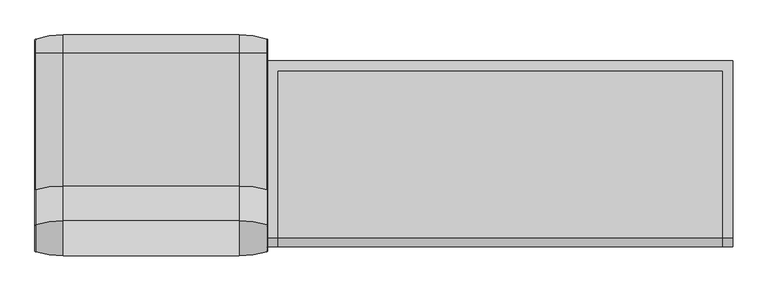
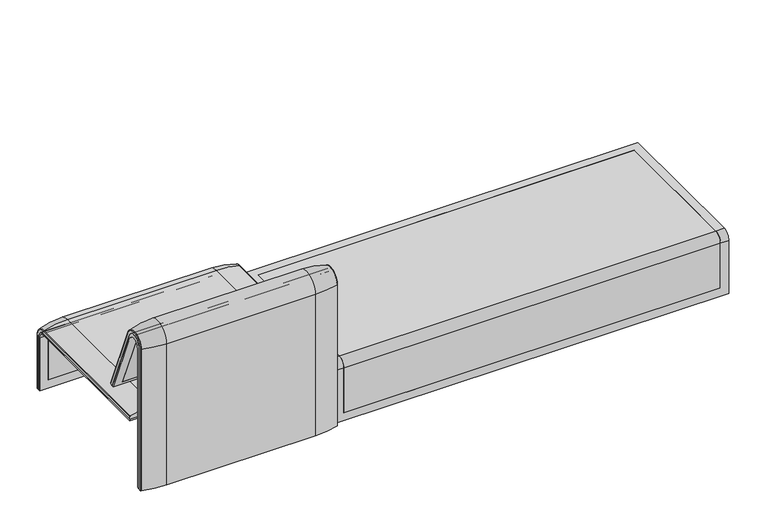
"""IFC4 building model written with IfcOpenShell, lengths in millimetres: furniture geometry."""

from ifc_helpers import new_model, si_unit, point, frame, frame_2d, origin, place, context, project, spatial, polyline, circle_curve, ellipse_curve, trimmed, segment, composite_curve, outline, extrude, source, transform, mapped, element, save
from ifc_brep_helpers import plane_surface, cylinder_surface, revolved_surface, advanced_brep


def furniture_6a8bea69(model_context):
    return source(origin(), model_context, "Body", "SolidModel", [
        advanced_brep(
        [(-1223.9718733, -295.0, 359.922434), (-1223.9718733, -295.0, 366.172434), (-1223.9718733, 324.3858663, 366.172434), (-1223.9718733, 357.5, 333.0583003), (-1223.9718733, 357.5, 100.5089435), (-1223.9718733, 351.0, 100.5089435), (-1223.9718733, 351.0, 332.6742277), (-1223.9718733, 323.7517936, 359.922434), (-407.9906244, -295.0, 359.922434), (-407.9906244, 323.7517936, 359.922434), (-407.9906244, 351.0, 332.6742277), (-407.9906244, 351.0, 100.5089435), (-407.9906244, 357.5, 100.5089435), (-407.9906244, 357.5, 333.0583003), (-407.9906244, 324.3858663, 366.172434), (-407.9906244, -295.0, 366.172434), (-442.8906244, 324.3858663, 366.172434), (-442.8906244, -260.0, 366.172434), (-1189.0718733, -260.0, 366.172434), (-1189.0718733, 324.3858663, 366.172434), (-1189.0718733, 357.5, 333.0583003), (-442.8906244, 357.5, 333.0583003), (-1189.0718733, 357.5, 135.3766997), (-442.8906244, 357.5, 135.3766997), (-442.8906244, 351.0, 332.6742277), (-442.8906244, 351.0, 135.3766997), (-1189.0718733, 351.0, 135.3766997), (-1189.0718733, 351.0, 332.6742277), (-1189.0718733, 323.7517936, 359.922434), (-442.8906244, 323.7517936, 359.922434), (-1189.0718733, -260.0, 359.922434), (-442.8906244, -260.0, 359.922434)],
        [
            (0, 1),
            (1, 2),
            (2, 3, circle_curve(frame((-1223.9718733, 324.3858663, 333.0583003), z_axis=(-1.0, 0.0, 0.0), x_axis=(0.0, 1.0, 0.0)), 33.1141337)),
            (3, 4),
            (4, 5),
            (5, 6),
            (6, 7, circle_curve(frame((-1223.9718733, 323.7517936, 332.6742277), z_axis=(1.0, 0.0, 0.0), x_axis=(0.0, 1.0, 0.0)), 27.2482064)),
            (7, 0),
            (8, 9),
            (9, 10, circle_curve(frame((-407.9906244, 323.7517936, 332.6742277), z_axis=(-1.0, 0.0, 0.0), x_axis=(0.0, 1.0, 0.0)), 27.2482064)),
            (10, 11),
            (11, 12),
            (12, 13),
            (13, 14, circle_curve(frame((-407.9906244, 324.3858663, 333.0583003), z_axis=(1.0, 0.0, 0.0), x_axis=(0.0, 1.0, 0.0)), 33.1141337)),
            (14, 15),
            (15, 8),
            (0, 8),
            (15, 1),
            (14, 16),
            (16, 17),
            (17, 18),
            (18, 19),
            (19, 2),
            (19, 20, circle_curve(frame((-1189.0718733, 324.3858663, 333.0583003), z_axis=(-1.0, 0.0, 0.0), x_axis=(0.0, 1.0, 0.0)), 33.1141337)),
            (20, 3),
            (13, 21),
            (21, 16, circle_curve(frame((-442.8906244, 324.3858663, 333.0583003), z_axis=(1.0, 0.0, 0.0), x_axis=(0.0, 1.0, 0.0)), 33.1141337)),
            (20, 22),
            (22, 23),
            (23, 21),
            (12, 4),
            (11, 5),
            (10, 24),
            (24, 25),
            (25, 26),
            (26, 27),
            (27, 6),
            (27, 28, circle_curve(frame((-1189.0718733, 323.7517936, 332.6742277), z_axis=(1.0, 0.0, 0.0), x_axis=(0.0, 1.0, 0.0)), 27.2482064)),
            (28, 7),
            (9, 29),
            (29, 24, circle_curve(frame((-442.8906244, 323.7517936, 332.6742277), z_axis=(-1.0, 0.0, 0.0), x_axis=(0.0, 1.0, 0.0)), 27.2482064)),
            (28, 30),
            (30, 31),
            (31, 29),
            (26, 22),
            (18, 30),
            (31, 17),
            (23, 25),
        ],
        [
            plane_surface(frame((-1223.9718733, 296.9265415, 359.922434), z_axis=(-1.0, 0.0, 0.0), x_axis=(0.0, 1.0, 0.0))),
            plane_surface(frame((-407.9906244, 296.9265415, 359.922434), z_axis=(1.0, 0.0, 0.0), x_axis=(0.0, -1.0, 0.0))),
            plane_surface(frame((-1223.9718733, -295.0, 366.172434), z_axis=(0.0, -1.0, 0.0), x_axis=(1.0, 0.0, 0.0))),
            plane_surface(frame((-1223.9718733, 324.3858663, 366.172434), z_axis=(0.0, 0.0, 1.0), x_axis=(1.0, 0.0, 0.0))),
            cylinder_surface(frame((-407.9906244, 324.3858663, 333.0583003), z_axis=(-1.0, 0.0, 0.0), x_axis=(0.0, 1.0, 0.0)), 33.1141337),
            plane_surface(frame((-1223.9718733, 357.5, 100.5089435), z_axis=(0.0, 1.0, 0.0), x_axis=(1.0, 0.0, 0.0))),
            plane_surface(frame((-1223.9718733, 351.0, 100.5089435), z_axis=(0.0, 0.0, -1.0), x_axis=(1.0, 0.0, 0.0))),
            plane_surface(frame((-1223.9718733, 351.0, 332.6742277), z_axis=(0.0, -1.0, 0.0), x_axis=(1.0, 0.0, 0.0))),
            revolved_surface(polyline([(-1189.0718733, 351.0, 332.6742277), (-1223.9718733, 351.0, 332.6742277)]), (-407.9906244, 323.7517936, 332.6742277), (1.0, 0.0, 0.0)),
            revolved_surface(polyline([(-407.9906244, 351.0, 332.6742277), (-442.8906244, 351.0, 332.6742277)]), (-407.9906244, 323.7517936, 332.6742277), (1.0, 0.0, 0.0)),
            plane_surface(frame((-1223.9718733, -295.0, 359.922434), z_axis=(0.0, 0.0, -1.0), x_axis=(1.0, 0.0, 0.0))),
            plane_surface(frame((-1189.0718733, 296.9265415, 359.922434), z_axis=(1.0, 0.0, 0.0), x_axis=(0.0, 1.0, 0.0))),
            plane_surface(frame((-442.8906244, 296.9265415, 359.922434), z_axis=(-1.0, 0.0, 0.0), x_axis=(0.0, -1.0, 0.0))),
            plane_surface(frame((-1189.0718733, -260.0, 366.172434), z_axis=(0.0, 1.0, 0.0), x_axis=(1.0, 0.0, 0.0))),
            plane_surface(frame((-1189.0718733, 351.0, 135.3766997), z_axis=(0.0, 0.0, 1.0), x_axis=(1.0, 0.0, 0.0))),
        ],
        [
            (0, [[1, 2, 3, 4, 5, 6, 7, 8]]),
            (1, [[9, 10, 11, 12, 13, 14, 15, 16]]),
            (2, [[17, -16, 18, -1]]),
            (3, [[-18, -15, 19, 20, 21, 22, 23, -2]]),
            (4, [[-23, 24, 25, -3]]),
            (4, [[26, 27, -19, -14]]),
            (5, [[-25, 28, 29, 30, -26, -13, 31, -4]]),
            (6, [[-31, -12, 32, -5]]),
            (7, [[-32, -11, 33, 34, 35, 36, 37, -6]]),
            (8, [[-37, 38, 39, -7]]),
            (9, [[40, 41, -33, -10]]),
            (10, [[-39, 42, 43, 44, -40, -9, -17, -8]]),
            (11, [[-42, -38, -36, 45, -28, -24, -22, 46]]),
            (12, [[-34, -41, -44, 47, -20, -27, -30, 48]]),
            (13, [[-21, -47, -43, -46]]),
            (14, [[-35, -48, -29, -45]]),
        ],
    ),
        extrude(outline(composite_curve([segment(polyline([(-260.0, 359.922434), (-260.0, 366.172434), (324.3858663, 366.172434)]), True, "CONTINUOUS"), segment(trimmed(circle_curve(frame_2d((324.3858663, 333.0583003)), 33.1141337), [point((324.3858663, 366.172434))], [point((357.5, 333.0583003))], False, "CARTESIAN"), True, "CONTINUOUS"), segment(polyline([(357.5, 333.0583003), (357.5, 135.3766997), (351.0, 135.3766997), (351.0, 332.6742277)]), True, "CONTINUOUS"), segment(trimmed(circle_curve(frame_2d((323.7517936, 332.6742277)), 27.2482064), [point((351.0, 332.6742277))], [point((323.7517936, 359.922434))], True, "CARTESIAN"), True, "CONTINUOUS"), segment(polyline([(323.7517936, 359.922434), (-260.0, 359.922434)]), True, "CONTINUOUS")], self_intersect=False)), frame((-1189.0718733, 0.0, 0.0), z_axis=(1.0, 0.0, 0.0), x_axis=(0.0, 1.0, 0.0)), (0.0, 0.0, 1.0), 746.1812488),
        advanced_brep(
        [(-1223.9718733, 368.7793679, 100.5089435), (-1221.8332448, 371.6530483, 100.5089435), (-1123.9718733, 386.0043559, 100.5089435), (-507.9906244, 386.0043559, 100.5089435), (-410.1292529, 371.6530483, 100.5089435), (-407.9906244, 368.7793679, 100.5089435), (-407.9906244, 357.5, 100.5089435), (-1223.9718733, 357.5, 100.5089435), (-1223.9718733, -295.0, 377.4518019), (-1223.9718733, -295.0, 366.172434), (-407.9906244, -295.0, 366.172434), (-407.9906244, -295.0, 377.4518019), (-410.1292529, -295.0, 380.3254823), (-507.9906244, -295.0, 394.67679), (-1123.9718733, -295.0, 394.67679), (-1221.8332448, -295.0, 380.3254823), (-1223.9718733, 357.5, 333.0583003), (-1223.9718733, 324.3858663, 366.172434), (-1223.9718733, 324.3858663, 377.4518019), (-1223.9718733, 368.7793679, 333.0583003), (-407.9906244, 357.5, 333.0583003), (-1123.9718733, 386.0043559, 333.0583003), (-507.9906244, 386.0043559, 333.0583003), (-1221.8332448, 371.6530483, 333.0583003), (-407.9906244, 324.3858663, 366.172434), (-1123.9718733, 324.3858663, 394.67679), (-507.9906244, 324.3858663, 394.67679), (-1221.8332448, 324.3858663, 380.3254823), (-407.9906244, 368.7793679, 333.0583003), (-407.9906244, 324.3858663, 377.4518019), (-410.1292529, 371.6530483, 333.0583003), (-410.1292529, 324.3858663, 380.3254823)],
        [
            (0, 1, circle_curve(frame((-1220.9718733, 368.7793679, 100.5089435), z_axis=(0.0, 0.0, -1.0), x_axis=(1.0, 0.0, 0.0)), 3.0)),
            (1, 2, circle_curve(frame((-1123.9718733, 45.1710226, 100.5089435), z_axis=(0.0, 0.0, -1.0), x_axis=(0.0, -1.0, 0.0)), 340.8333333)),
            (2, 3),
            (3, 4, circle_curve(frame((-507.9906244, 45.1710226, 100.5089435), z_axis=(0.0, 0.0, -1.0), x_axis=(0.0, -1.0, 0.0)), 340.8333333)),
            (4, 5, circle_curve(frame((-410.9906244, 368.7793679, 100.5089435), z_axis=(0.0, 0.0, -1.0), x_axis=(-1.0, 0.0, 0.0)), 3.0)),
            (5, 6),
            (6, 7),
            (7, 0),
            (8, 9),
            (9, 10),
            (10, 11),
            (11, 12, circle_curve(frame((-410.9906244, -295.0, 377.4518019), z_axis=(0.0, -1.0, 0.0), x_axis=(-1.0, 0.0, 0.0)), 3.0)),
            (12, 13, circle_curve(frame((-507.9906244, -295.0, 53.8434566), z_axis=(0.0, -1.0, 0.0), x_axis=(0.0, 0.0, -1.0)), 340.8333333)),
            (13, 14),
            (14, 15, circle_curve(frame((-1123.9718733, -295.0, 53.8434566), z_axis=(0.0, -1.0, 0.0), x_axis=(0.0, 0.0, -1.0)), 340.8333333)),
            (15, 8, circle_curve(frame((-1220.9718733, -295.0, 377.4518019), z_axis=(0.0, -1.0, 0.0), x_axis=(1.0, 0.0, 0.0)), 3.0)),
            (7, 16),
            (16, 17, circle_curve(frame((-1223.9718733, 324.3858663, 333.0583003), z_axis=(1.0, 0.0, 0.0), x_axis=(0.0, 1.0, 0.0)), 33.1141337)),
            (17, 9),
            (8, 18),
            (18, 19, circle_curve(frame((-1223.9718733, 324.3858663, 333.0583003), z_axis=(-1.0, 0.0, 0.0), x_axis=(0.0, 1.0, 0.0)), 44.3935016)),
            (19, 0),
            (6, 20),
            (20, 16),
            (2, 21),
            (21, 22),
            (22, 3),
            (1, 23),
            (23, 21, circle_curve(frame((-1123.9718733, 45.1710226, 333.0583003), z_axis=(0.0, 0.0, -1.0), x_axis=(0.0, -1.0, 0.0)), 340.8333333)),
            (19, 23, circle_curve(frame((-1220.9718733, 368.7793679, 333.0583003), z_axis=(0.0, 0.0, -1.0), x_axis=(1.0, 0.0, 0.0)), 3.0)),
            (24, 17),
            (20, 24, circle_curve(frame((-407.9906244, 324.3858663, 333.0583003), z_axis=(1.0, 0.0, 0.0), x_axis=(0.0, 1.0, 0.0)), 33.1141337)),
            (25, 26),
            (26, 22, circle_curve(frame((-507.9906244, 324.3858663, 333.0583003), z_axis=(-1.0, 0.0, 0.0), x_axis=(0.0, 1.0, 0.0)), 61.6184897)),
            (21, 25, circle_curve(frame((-1123.9718733, 324.3858663, 333.0583003), z_axis=(1.0, 0.0, 0.0), x_axis=(0.0, 1.0, 0.0)), 61.6184897)),
            (27, 25, circle_curve(frame((-1123.9718733, 324.3858663, 53.8434566), z_axis=(0.0, 1.0, 0.0), x_axis=(0.0, 0.0, -1.0)), 340.8333333)),
            (23, 27, circle_curve(frame((-1221.8332448, 324.3858663, 333.0583003), z_axis=(1.0, 0.0, 0.0), x_axis=(0.0, 1.0, 0.0)), 47.267182)),
            (18, 27, circle_curve(frame((-1220.9718733, 324.3858663, 377.4518019), z_axis=(0.0, 1.0, 0.0), x_axis=(1.0, 0.0, 0.0)), 3.0)),
            (24, 10),
            (25, 14),
            (13, 26),
            (27, 15),
            (5, 28),
            (28, 29, circle_curve(frame((-407.9906244, 324.3858663, 333.0583003), z_axis=(1.0, 0.0, 0.0), x_axis=(0.0, 1.0, 0.0)), 44.3935016)),
            (29, 11),
            (4, 30),
            (30, 28, circle_curve(frame((-410.9906244, 368.7793679, 333.0583003), z_axis=(0.0, 0.0, -1.0), x_axis=(-1.0, 0.0, 0.0)), 3.0)),
            (22, 30, circle_curve(frame((-507.9906244, 45.1710226, 333.0583003), z_axis=(0.0, 0.0, -1.0), x_axis=(0.0, -1.0, 0.0)), 340.8333333)),
            (31, 29, circle_curve(frame((-410.9906244, 324.3858663, 377.4518019), z_axis=(0.0, 1.0, 0.0), x_axis=(-1.0, 0.0, 0.0)), 3.0)),
            (30, 31, circle_curve(frame((-410.1292529, 324.3858663, 333.0583003), z_axis=(1.0, 0.0, 0.0), x_axis=(0.0, 1.0, 0.0)), 47.267182)),
            (26, 31, circle_curve(frame((-507.9906244, 324.3858663, 53.8434566), z_axis=(0.0, 1.0, 0.0), x_axis=(0.0, 0.0, -1.0)), 340.8333333)),
            (31, 12),
        ],
        [
            plane_surface(frame((-1223.9718733, 357.5, 100.5089435), z_axis=(0.0, 0.0, -1.0), x_axis=(1.0, 0.0, 0.0))),
            plane_surface(frame((-1223.9718733, -295.0, 366.172434), z_axis=(0.0, -1.0, 0.0), x_axis=(1.0, 0.0, 0.0))),
            plane_surface(frame((-1223.9718733, 368.7793679, 100.5089435), z_axis=(-1.0, 0.0, 0.0), x_axis=(0.0, 0.0, 1.0))),
            plane_surface(frame((-1223.9718733, 357.5, 100.5089435), z_axis=(0.0, -1.0, 0.0), x_axis=(0.0, 0.0, 1.0))),
            plane_surface(frame((-507.9906244, 386.0043559, 100.5089435), z_axis=(0.0, 1.0, 0.0), x_axis=(0.0, 0.0, 1.0))),
            cylinder_surface(frame((-1123.9718733, 45.1710226, 100.5089435), z_axis=(0.0, 0.0, -1.0), x_axis=(0.0, -1.0, 0.0)), 340.8333333),
            cylinder_surface(frame((-1220.9718733, 368.7793679, 100.5089435), z_axis=(0.0, 0.0, -1.0), x_axis=(1.0, 0.0, 0.0)), 3.0),
            revolved_surface(polyline([(-1223.9718733, 357.5, 333.0583003), (-407.9906244, 357.5, 333.0583003)]), (-1223.9718733, 324.3858663, 333.0583003), (-1.0, 0.0, 0.0)),
            cylinder_surface(frame((-1223.9718733, 324.3858663, 333.0583003), z_axis=(-1.0, 0.0, 0.0), x_axis=(0.0, 1.0, 0.0)), 61.6184897),
            revolved_surface(trimmed(ellipse_curve(frame((-1123.9718733, 45.1710226, 333.0583003), z_axis=(0.0, 0.0, 1.0), x_axis=(0.0, -1.0, 0.0)), 340.8333333, 340.8333333), [point((-1123.9718733, 386.0043559, 333.0583003))], [point((-1221.8332448, 371.6530483, 333.0583003))], True, "CARTESIAN"), (-1223.9718733, 324.3858663, 333.0583003), (-1.0, 0.0, 0.0)),
            revolved_surface(trimmed(ellipse_curve(frame((-1220.9718733, 368.7793679, 333.0583003), z_axis=(0.0, 0.0, 1.0), x_axis=(1.0, 0.0, 0.0)), 3.0, 3.0), [point((-1221.8332448, 371.6530483, 333.0583003))], [point((-1223.9718733, 368.7793679, 333.0583003))], True, "CARTESIAN"), (-1223.9718733, 324.3858663, 333.0583003), (-1.0, 0.0, 0.0)),
            plane_surface(frame((-1223.9718733, 324.3858663, 366.172434), z_axis=(0.0, 0.0, -1.0), x_axis=(0.0, -1.0, 0.0))),
            plane_surface(frame((-507.9906244, 324.3858663, 394.67679), z_axis=(0.0, 0.0, 1.0), x_axis=(0.0, -1.0, 0.0))),
            cylinder_surface(frame((-1123.9718733, 324.3858663, 53.8434566), z_axis=(0.0, 1.0, 0.0), x_axis=(0.0, 0.0, -1.0)), 340.8333333),
            cylinder_surface(frame((-1220.9718733, 324.3858663, 377.4518019), z_axis=(0.0, 1.0, 0.0), x_axis=(1.0, 0.0, 0.0)), 3.0),
            plane_surface(frame((-407.9906244, 357.5, 100.5089435), z_axis=(1.0, 0.0, 0.0), x_axis=(0.0, 0.0, 1.0))),
            cylinder_surface(frame((-410.9906244, 368.7793679, 100.5089435), z_axis=(0.0, 0.0, -1.0), x_axis=(-1.0, 0.0, 0.0)), 3.0),
            cylinder_surface(frame((-507.9906244, 45.1710226, 100.5089435), z_axis=(0.0, 0.0, -1.0), x_axis=(0.0, -1.0, 0.0)), 340.8333333),
            revolved_surface(trimmed(ellipse_curve(frame((-410.9906244, 368.7793679, 333.0583003), z_axis=(0.0, 0.0, 1.0), x_axis=(-1.0, 0.0, 0.0)), 3.0, 3.0), [point((-407.9906244, 368.7793679, 333.0583003))], [point((-410.1292529, 371.6530483, 333.0583003))], True, "CARTESIAN"), (-1223.9718733, 324.3858663, 333.0583003), (-1.0, 0.0, 0.0)),
            revolved_surface(trimmed(ellipse_curve(frame((-507.9906244, 45.1710226, 333.0583003), z_axis=(0.0, 0.0, 1.0), x_axis=(0.0, -1.0, 0.0)), 340.8333333, 340.8333333), [point((-410.1292529, 371.6530483, 333.0583003))], [point((-507.9906244, 386.0043559, 333.0583003))], True, "CARTESIAN"), (-1223.9718733, 324.3858663, 333.0583003), (-1.0, 0.0, 0.0)),
            cylinder_surface(frame((-410.9906244, 324.3858663, 377.4518019), z_axis=(0.0, 1.0, 0.0), x_axis=(-1.0, 0.0, 0.0)), 3.0),
            cylinder_surface(frame((-507.9906244, 324.3858663, 53.8434566), z_axis=(0.0, 1.0, 0.0), x_axis=(0.0, 0.0, -1.0)), 340.8333333),
        ],
        [
            (0, [[1, 2, 3, 4, 5, 6, 7, 8]]),
            (1, [[9, 10, 11, 12, 13, 14, 15, 16]]),
            (2, [[17, 18, 19, -9, 20, 21, 22, -8]]),
            (3, [[23, 24, -17, -7]]),
            (4, [[25, 26, 27, -3]]),
            (5, [[28, 29, -25, -2]]),
            (6, [[-22, 30, -28, -1]]),
            (7, [[31, -18, -24, 32]]),
            (8, [[33, 34, -26, 35]]),
            (9, [[36, -35, -29, 37]]),
            (10, [[38, -37, -30, -21]]),
            (11, [[39, -10, -19, -31]]),
            (12, [[40, -14, 41, -33]]),
            (13, [[42, -15, -40, -36]]),
            (14, [[-20, -16, -42, -38]]),
            (15, [[43, 44, 45, -11, -39, -32, -23, -6]]),
            (16, [[46, 47, -43, -5]]),
            (17, [[-27, 48, -46, -4]]),
            (18, [[49, -44, -47, 50]]),
            (19, [[51, -50, -48, -34]]),
            (20, [[52, -12, -45, -49]]),
            (21, [[-41, -13, -52, -51]]),
        ],
    ),
        advanced_brep(
        [(-407.940992, -351.0000061, 101.8476716), (-407.940992, -351.0000061, 712.9272623), (-407.940992, -296.2720241, 723.9759107), (-407.940992, -175.0204081, 435.9866665), (-407.940992, -170.1966807, 437.98305), (-407.940992, -292.4403877, 733.7122262), (-407.940992, -359.7858817, 720.3417731), (-407.940992, -359.7858817, 101.8476716), (-1223.9222409, -351.0000061, 101.8476716), (-1223.9222409, -359.7858817, 101.8476716), (-1223.9222409, -359.7858817, 720.3417731), (-1223.9222409, -292.4403877, 733.7122262), (-1223.9222409, -170.1966807, 437.98305), (-1223.9222409, -175.0204081, 435.9866665), (-1223.9222409, -296.2458652, 723.9869215), (-1223.9222409, -351.0000061, 712.9272623), (-1189.038785, -292.4403877, 733.7122262), (-1189.038785, -176.0980387, 452.25948), (-442.8575362, -176.0980387, 452.25948), (-442.8575362, -292.4403877, 733.7122262), (-442.8575362, -296.2458652, 723.9869215), (-442.8575362, -181.0136548, 450.2250668), (-1189.038785, -181.0136548, 450.2250668), (-1189.038785, -296.2458652, 723.9869215), (-1189.038785, -351.0000061, 712.9272623), (-1189.038785, -351.0000061, 135.3766997), (-442.8575362, -351.0000061, 135.3766997), (-442.8575362, -351.0000061, 712.9272623), (-442.8575362, -359.7858817, 720.3417731), (-442.8575362, -359.7858817, 135.3766997), (-1189.038785, -359.7858817, 135.3766997), (-1189.038785, -359.7858817, 720.3417731)],
        [
            (0, 1),
            (1, 2, circle_curve(frame((-407.940992, -322.520748, 712.9272623), z_axis=(-1.0, 0.0, 0.0), x_axis=(0.0, 1.0, 0.0)), 28.479258)),
            (2, 3),
            (3, 4),
            (4, 5),
            (5, 6, circle_curve(frame((-407.940992, -324.7858817, 720.3417731), z_axis=(1.0, 0.0, 0.0), x_axis=(0.0, 1.0, 0.0)), 35.0)),
            (6, 7),
            (7, 0),
            (8, 9),
            (9, 10),
            (10, 11, circle_curve(frame((-1223.9222409, -324.7858817, 720.3417731), z_axis=(-1.0, 0.0, 0.0), x_axis=(0.0, 1.0, 0.0)), 35.0)),
            (11, 12),
            (12, 13),
            (13, 14),
            (14, 15, circle_curve(frame((-1223.9222409, -322.520748, 712.9272623), z_axis=(1.0, 0.0, 0.0), x_axis=(0.0, 1.0, 0.0)), 28.479258)),
            (15, 8),
            (4, 12),
            (11, 16),
            (16, 17),
            (17, 18),
            (18, 19),
            (19, 5),
            (3, 13),
            (2, 20),
            (20, 21),
            (21, 22),
            (22, 23),
            (23, 14),
            (0, 8),
            (15, 24),
            (24, 25),
            (25, 26),
            (26, 27),
            (27, 1),
            (7, 9),
            (6, 28),
            (28, 29),
            (29, 30),
            (30, 31),
            (31, 10),
            (19, 28, circle_curve(frame((-442.8575362, -324.7858817, 720.3417731), z_axis=(1.0, 0.0, 0.0), x_axis=(0.0, 1.0, 0.0)), 35.0)),
            (31, 16, circle_curve(frame((-1189.038785, -324.7858817, 720.3417731), z_axis=(-1.0, 0.0, 0.0), x_axis=(0.0, 1.0, 0.0)), 35.0)),
            (27, 20, circle_curve(frame((-442.8575362, -322.520748, 712.9272623), z_axis=(-1.0, 0.0, 0.0), x_axis=(0.0, 1.0, 0.0)), 28.479258)),
            (23, 24, circle_curve(frame((-1189.038785, -322.520748, 712.9272623), z_axis=(1.0, 0.0, 0.0), x_axis=(0.0, 1.0, 0.0)), 28.479258)),
            (26, 29),
            (18, 21),
            (22, 17),
            (30, 25),
        ],
        [
            plane_surface(frame((-407.940992, -359.7858817, 101.8476716), z_axis=(1.0, 0.0, 0.0), x_axis=(0.0, -1.0, 0.0))),
            plane_surface(frame((-1223.9222409, -359.7858817, 101.8476716), z_axis=(-1.0, 0.0, 0.0), x_axis=(0.0, 1.0, 0.0))),
            plane_surface(frame((-407.940992, -292.4403877, 733.7122262), z_axis=(0.0, 0.9241569717933176, 0.3820129467515535), x_axis=(-1.0, 0.0, 0.0))),
            plane_surface(frame((-407.940992, -170.1966807, 437.98305), z_axis=(0.0, 0.38241039441983893, -0.9239925812687368), x_axis=(-1.0, 0.0, 0.0))),
            plane_surface(frame((-407.940992, -175.0204081, 435.9866665), z_axis=(0.0, -0.921678643444566, -0.3879542218073993), x_axis=(-1.0, 0.0, 0.0))),
            plane_surface(frame((-407.940992, -351.0000061, 712.9272623), z_axis=(0.0, 1.0, 0.0), x_axis=(-1.0, 0.0, 0.0))),
            plane_surface(frame((-407.940992, -351.0000061, 101.8476716), z_axis=(0.0, 0.0, -1.0), x_axis=(-1.0, 0.0, 0.0))),
            plane_surface(frame((-407.940992, -359.7858817, 101.8476716), z_axis=(0.0, -1.0, 0.0), x_axis=(-1.0, 0.0, 0.0))),
            cylinder_surface(frame((-1223.9222409, -324.7858817, 720.3417731), z_axis=(1.0, 0.0, 0.0), x_axis=(0.0, 1.0, 0.0)), 35.0),
            revolved_surface(polyline([(-442.8575362, -294.04149, 712.9272623), (-407.94099200000005, -294.04149, 712.9272623)]), (-1223.9222409, -322.520748, 712.9272623), (-1.0, 0.0, 0.0)),
            revolved_surface(polyline([(-1223.9222409, -294.04149, 712.9272623), (-1189.038785, -294.04149, 712.9272623)]), (-1223.9222409, -322.520748, 712.9272623), (-1.0, 0.0, 0.0)),
            plane_surface(frame((-442.8575362, -359.7858817, 135.3766997), z_axis=(-1.0, 0.0, 0.0), x_axis=(0.0, -1.0, 0.0))),
            plane_surface(frame((-1189.038785, -359.7858817, 135.3766997), z_axis=(1.0, 0.0, 0.0), x_axis=(0.0, 1.0, 0.0))),
            plane_surface(frame((-442.8575362, -166.9120641, 456.0612553), z_axis=(0.0, -0.38241039441982605, 0.9239925812687422), x_axis=(-1.0, 0.0, 0.0))),
            plane_surface(frame((-442.8575362, -344.7858817, 135.3766997), z_axis=(0.0, 0.0, 1.0), x_axis=(-1.0, 0.0, 0.0))),
        ],
        [
            (0, [[1, 2, 3, 4, 5, 6, 7, 8]]),
            (1, [[9, 10, 11, 12, 13, 14, 15, 16]]),
            (2, [[17, -12, 18, 19, 20, 21, 22, -5]]),
            (3, [[23, -13, -17, -4]]),
            (4, [[24, 25, 26, 27, 28, -14, -23, -3]]),
            (5, [[29, -16, 30, 31, 32, 33, 34, -1]]),
            (6, [[35, -9, -29, -8]]),
            (7, [[36, 37, 38, 39, 40, -10, -35, -7]]),
            (8, [[-22, 41, -36, -6]]),
            (8, [[-40, 42, -18, -11]]),
            (9, [[-34, 43, -24, -2]]),
            (10, [[-28, 44, -30, -15]]),
            (11, [[-25, -43, -33, 45, -37, -41, -21, 46]]),
            (12, [[-31, -44, -27, 47, -19, -42, -39, 48]]),
            (13, [[-20, -47, -26, -46]]),
            (14, [[-32, -48, -38, -45]]),
        ],
    ),
        advanced_brep(
        [(-442.8575362, -351.0000061, 135.3766997), (-442.8575362, -351.0000061, 712.9272623), (-442.8575362, -296.2720241, 723.9759107), (-442.8575362, -181.0136548, 450.2250668), (-442.8575362, -176.0980387, 452.25948), (-442.8575362, -292.4403877, 733.7122262), (-442.8575362, -359.7858817, 720.3417731), (-442.8575362, -359.7858817, 135.3766997), (-1189.038785, -351.0000061, 135.3766997), (-1189.038785, -359.7858817, 135.3766997), (-1189.038785, -359.7858817, 720.3417731), (-1189.038785, -292.4403877, 733.7122262), (-1189.038785, -176.0980387, 452.25948), (-1189.038785, -181.0136548, 450.2250668), (-1189.038785, -296.2458652, 723.9869215), (-1189.038785, -351.0000061, 712.9272623)],
        [
            (0, 1),
            (1, 2, circle_curve(frame((-442.8575362, -322.520748, 712.9272623), z_axis=(-1.0, 0.0, 0.0), x_axis=(0.0, 1.0, 0.0)), 28.479258)),
            (2, 3),
            (3, 4),
            (4, 5),
            (5, 6, circle_curve(frame((-442.8575362, -324.7858817, 720.3417731), z_axis=(1.0, 0.0, 0.0), x_axis=(0.0, 1.0, 0.0)), 35.0)),
            (6, 7),
            (7, 0),
            (8, 9),
            (9, 10),
            (10, 11, circle_curve(frame((-1189.038785, -324.7858817, 720.3417731), z_axis=(-1.0, 0.0, 0.0), x_axis=(0.0, 1.0, 0.0)), 35.0)),
            (11, 12),
            (12, 13),
            (13, 14),
            (14, 15, circle_curve(frame((-1189.038785, -322.520748, 712.9272623), z_axis=(1.0, 0.0, 0.0), x_axis=(0.0, 1.0, 0.0)), 28.479258)),
            (15, 8),
            (4, 12),
            (11, 5),
            (3, 13),
            (2, 14),
            (0, 8),
            (15, 1),
            (7, 9),
            (6, 10),
        ],
        [
            plane_surface(frame((-442.8575362, -359.7858817, 135.3766997), z_axis=(1.0, 0.0, 0.0), x_axis=(0.0, -1.0, 0.0))),
            plane_surface(frame((-1189.038785, -359.7858817, 135.3766997), z_axis=(-1.0, 0.0, 0.0), x_axis=(0.0, 1.0, 0.0))),
            plane_surface(frame((-442.8575362, -292.4403877, 733.7122262), z_axis=(0.0, 0.9241569717933176, 0.3820129467515535), x_axis=(-1.0, 0.0, 0.0))),
            plane_surface(frame((-442.8575362, -176.0980387, 452.25948), z_axis=(0.0, 0.38241039441982716, -0.9239925812687417), x_axis=(-1.0, 0.0, 0.0))),
            plane_surface(frame((-442.8575362, -181.0136548, 450.2250668), z_axis=(0.0, -0.921678643444566, -0.3879542218073993), x_axis=(-1.0, 0.0, 0.0))),
            plane_surface(frame((-442.8575362, -351.0000061, 712.9272623), z_axis=(0.0, 1.0, 0.0), x_axis=(-1.0, 0.0, 0.0))),
            plane_surface(frame((-442.8575362, -351.0000061, 135.3766997), z_axis=(0.0, 0.0, -1.0), x_axis=(-1.0, 0.0, 0.0))),
            plane_surface(frame((-442.8575362, -359.7858817, 135.3766997), z_axis=(0.0, -1.0, 0.0), x_axis=(-1.0, 0.0, 0.0))),
            cylinder_surface(frame((-1189.038785, -324.7858817, 720.3417731), z_axis=(1.0, 0.0, 0.0), x_axis=(0.0, 1.0, 0.0)), 35.0),
            revolved_surface(polyline([(-1189.038785, -294.04149, 712.9272623), (-442.8575362, -294.04149, 712.9272623)]), (-1189.038785, -322.520748, 712.9272623), (-1.0, 0.0, 0.0)),
        ],
        [
            (0, [[1, 2, 3, 4, 5, 6, 7, 8]]),
            (1, [[9, 10, 11, 12, 13, 14, 15, 16]]),
            (2, [[17, -12, 18, -5]]),
            (3, [[19, -13, -17, -4]]),
            (4, [[20, -14, -19, -3]]),
            (5, [[21, -16, 22, -1]]),
            (6, [[23, -9, -21, -8]]),
            (7, [[24, -10, -23, -7]]),
            (8, [[-18, -11, -24, -6]]),
            (9, [[-22, -15, -20, -2]]),
        ],
    ),
        extrude(outline(composite_curve([segment(polyline([(-305.0000061, 349.9223263), (-285.0000061, 349.9223263)]), True, "CONTINUOUS"), segment(trimmed(circle_curve(frame_2d((-285.0000061, 359.9223263)), 10.0), [point((-285.0000061, 349.9223263))], [point((-275.0000061, 359.9223263))], True, "CARTESIAN"), True, "CONTINUOUS"), segment(polyline([(-275.0000061, 359.9223263), (-270.0000061, 359.9223263), (-270.0000061, 299.9223263), (-309.4476, 299.9223263)]), True, "CONTINUOUS"), segment(trimmed(circle_curve(frame_2d((-309.4476, 269.9223263)), 30.0), [point((-309.4476, 299.9223263))], [point((-339.4064861, 271.492405))], True, "CARTESIAN"), True, "CONTINUOUS"), segment(polyline([(-339.4064861, 271.492405), (-343.3075759, 197.0551771), (-351.0000061, 197.0551771), (-351.0000061, 712.9272623)]), True, "CONTINUOUS"), segment(trimmed(circle_curve(frame_2d((-322.520748, 712.9272623)), 28.479258), [point((-351.0000061, 712.9272623))], [point((-296.3054528, 724.0549949))], False, "CARTESIAN"), True, "CONTINUOUS"), segment(polyline([(-296.3054528, 724.0549949), (-213.7507451, 529.5682915), (-222.2725218, 526.5505721), (-238.0355877, 560.3545758)]), True, "CONTINUOUS"), segment(trimmed(circle_curve(frame_2d((-251.6302045, 554.0153019)), 15.0), [point((-238.0355877, 560.3545758))], [point((-257.4911714, 567.8228747))], True, "CARTESIAN"), True, "CONTINUOUS"), segment(polyline([(-257.4911714, 567.8228747), (-316.7219399, 542.6809051)]), True, "CONTINUOUS"), segment(trimmed(circle_curve(frame_2d((-305.0000061, 515.0657595)), 30.0), [point((-316.7219399, 542.6809051))], [point((-335.0000061, 515.0657595))], True, "CARTESIAN"), True, "CONTINUOUS"), segment(polyline([(-335.0000061, 515.0657595), (-335.0000061, 379.9223263)]), True, "CONTINUOUS"), segment(trimmed(circle_curve(frame_2d((-305.0000061, 379.9223263)), 30.0), [point((-335.0000061, 379.9223263))], [point((-305.0000061, 349.9223263))], True, "CARTESIAN"), True, "CONTINUOUS")], self_intersect=False), holes=[composite_curve([segment(trimmed(circle_curve(frame_2d((-319.9867182, 576.3274105)), 17.5132879), [point((-337.5000061, 576.3274105))], [point((-314.1406626, 559.8186587))], True, "CARTESIAN"), True, "CONTINUOUS"), segment(polyline([(-314.1406626, 559.8186587), (-265.0756376, 577.1934953)]), True, "CONTINUOUS"), segment(trimmed(circle_curve(frame_2d((-271.7517748, 596.0463251)), 20.0), [point((-265.0756376, 577.1934953))], [point((-253.6256191, 604.4986904))], True, "CARTESIAN"), True, "CONTINUOUS"), segment(polyline([(-253.6256191, 604.4986904), (-308.9053893, 723.0465402)]), True, "CONTINUOUS"), segment(trimmed(circle_curve(frame_2d((-322.5000061, 716.7072663)), 15.0), [point((-308.9053893, 723.0465402))], [point((-337.5000061, 716.7072663))], True, "CARTESIAN"), True, "CONTINUOUS"), segment(polyline([(-337.5000061, 716.7072663), (-337.5000061, 576.3274105)]), True, "CONTINUOUS")], self_intersect=False)]), frame((-570.9533638, 0.0, 0.0), z_axis=(1.0, 0.0, 0.0), x_axis=(0.0, 1.0, 0.0)), (0.0, 0.0, 1.0), 40.0),
        advanced_brep(
        [(-507.940992, -388.2902376, 100.5089435), (-1123.9553291, -388.2902376, 100.5089435), (-1221.8167006, -373.93893, 100.5089435), (-1223.9553291, -371.0652495, 100.5089435), (-1223.9553291, -359.7858817, 100.5089435), (-407.940992, -359.7858817, 100.5089435), (-407.940992, -371.0652495, 100.5089435), (-410.0796206, -373.93893, 100.5089435), (-507.940992, -388.2902376, 720.3417731), (-1123.9553291, -388.2902376, 720.3417731), (-410.0796206, -373.93893, 720.3417731), (-407.940992, -371.0652495, 720.3417731), (-407.940992, -359.7858817, 720.3417731), (-407.940992, -292.4403877, 733.7122262), (-407.940992, -170.1962447, 437.9819952), (-407.940992, -159.7723383, 442.2908598), (-407.940992, -282.0164812, 738.0210907), (-1223.9553291, -359.7858817, 720.3417731), (-507.940992, -143.8537454, 448.8710282), (-410.0796206, -157.1166065, 443.3886429), (-1223.9553291, -170.1962447, 437.9819952), (-1223.9553291, -159.7723383, 442.2908598), (-1221.8167006, -157.1166065, 443.3886429), (-1123.9553291, -143.8537454, 448.8710282), (-507.940992, -266.0978884, 744.6012592), (-1123.9553291, -266.0978884, 744.6012592), (-410.0796206, -279.3607494, 739.1188739), (-1223.9553291, -292.4403877, 733.7122262), (-1223.9553291, -371.0652495, 720.3417731), (-1223.9553291, -282.0164812, 738.0210907), (-1221.8167006, -373.93893, 720.3417731), (-1221.8167006, -279.3607494, 739.1188739)],
        [
            (0, 1),
            (1, 2, circle_curve(frame((-1123.9553291, -47.4569043, 100.5089435), z_axis=(0.0, 0.0, -1.0), x_axis=(0.0, 1.0, 0.0)), 340.8333333)),
            (2, 3, circle_curve(frame((-1220.9553291, -371.0652495, 100.5089435), z_axis=(0.0, 0.0, -1.0), x_axis=(-1.0, 0.0, 0.0)), 3.0)),
            (3, 4),
            (4, 5),
            (5, 6),
            (6, 7, circle_curve(frame((-410.940992, -371.0652495, 100.5089435), z_axis=(0.0, 0.0, -1.0), x_axis=(1.0, 0.0, 0.0)), 3.0)),
            (7, 0, circle_curve(frame((-507.940992, -47.4569043, 100.5089435), z_axis=(0.0, 0.0, -1.0), x_axis=(0.0, 1.0, 0.0)), 340.8333333)),
            (0, 8),
            (8, 9),
            (9, 1),
            (7, 10),
            (10, 8, circle_curve(frame((-507.940992, -47.4569043, 720.3417731), z_axis=(0.0, 0.0, -1.0), x_axis=(0.0, 1.0, 0.0)), 340.8333333)),
            (6, 11),
            (11, 10, circle_curve(frame((-410.940992, -371.0652495, 720.3417731), z_axis=(0.0, 0.0, -1.0), x_axis=(1.0, 0.0, 0.0)), 3.0)),
            (5, 12),
            (12, 13, circle_curve(frame((-407.940992, -324.7858817, 720.3417731), z_axis=(-1.0, 0.0, 0.0), x_axis=(0.0, -1.0, 0.0)), 35.0)),
            (13, 14),
            (14, 15),
            (15, 16),
            (16, 11, circle_curve(frame((-407.940992, -324.7858817, 720.3417731), z_axis=(1.0, 0.0, 0.0), x_axis=(0.0, -1.0, 0.0)), 46.2793679)),
            (4, 17),
            (17, 12),
            (18, 19, circle_curve(frame((-507.940992, -458.8372467, 318.6682822), z_axis=(0.0, 0.38201294675155345, -0.9241569717933176), x_axis=(0.0, -0.9241569717933176, -0.38201294675155345)), 340.8333333)),
            (19, 15, circle_curve(frame((-410.940992, -159.7723383, 442.2908598), z_axis=(0.0, 0.38201294675155345, -0.9241569717933176), x_axis=(1.0, 0.0, 0.0)), 3.0)),
            (14, 20),
            (20, 21),
            (21, 22, circle_curve(frame((-1220.9553291, -159.7723383, 442.2908598), z_axis=(0.0, 0.38201294675155345, -0.9241569717933176), x_axis=(-1.0, 0.0, 0.0)), 3.0)),
            (22, 23, circle_curve(frame((-1123.9553291, -458.8372467, 318.6682822), z_axis=(0.0, 0.38201294675155345, -0.9241569717933176), x_axis=(0.0, -0.9241569717933176, -0.38201294675155345)), 340.8333333)),
            (23, 18),
            (24, 25),
            (25, 9, circle_curve(frame((-1123.9553291, -324.7858817, 720.3417731), z_axis=(1.0, 0.0, 0.0), x_axis=(0.0, -1.0, 0.0)), 63.5043559)),
            (8, 24, circle_curve(frame((-507.940992, -324.7858817, 720.3417731), z_axis=(-1.0, 0.0, 0.0), x_axis=(0.0, -1.0, 0.0)), 63.5043559)),
            (26, 24, circle_curve(frame((-507.940992, -581.0813896, 614.3985132), z_axis=(0.0, -0.3820129467515544, 0.9241569717933172), x_axis=(0.0, -0.9241569717933172, -0.3820129467515544)), 340.8333333)),
            (10, 26, circle_curve(frame((-410.0796206, -324.7858817, 720.3417731), z_axis=(-1.0, 0.0, 0.0), x_axis=(0.0, -1.0, 0.0)), 49.1530483)),
            (16, 26, circle_curve(frame((-410.940992, -282.0164812, 738.0210907), z_axis=(0.0, -0.38201294675155356, 0.9241569717933176), x_axis=(1.0, 0.0, 0.0)), 3.0)),
            (27, 13),
            (17, 27, circle_curve(frame((-1223.9553291, -324.7858817, 720.3417731), z_axis=(-1.0, 0.0, 0.0), x_axis=(0.0, -1.0, 0.0)), 35.0)),
            (24, 18),
            (23, 25),
            (26, 19),
            (27, 20),
            (3, 28),
            (28, 29, circle_curve(frame((-1223.9553291, -324.7858817, 720.3417731), z_axis=(-1.0, 0.0, 0.0), x_axis=(0.0, -1.0, 0.0)), 46.2793679)),
            (29, 21),
            (2, 30),
            (30, 28, circle_curve(frame((-1220.9553291, -371.0652495, 720.3417731), z_axis=(0.0, 0.0, -1.0), x_axis=(-1.0, 0.0, 0.0)), 3.0)),
            (9, 30, circle_curve(frame((-1123.9553291, -47.4569043, 720.3417731), z_axis=(0.0, 0.0, -1.0), x_axis=(0.0, 1.0, 0.0)), 340.8333333)),
            (31, 29, circle_curve(frame((-1220.9553291, -282.0164812, 738.0210907), z_axis=(0.0, -0.3820129467515556, 0.9241569717933167), x_axis=(-1.0, 0.0, 0.0)), 3.0)),
            (30, 31, circle_curve(frame((-1221.8167006, -324.7858817, 720.3417731), z_axis=(-1.0, 0.0, 0.0), x_axis=(0.0, -1.0, 0.0)), 49.1530483)),
            (25, 31, circle_curve(frame((-1123.9553291, -581.0813896, 614.3985132), z_axis=(0.0, -0.382012946751556, 0.9241569717933165), x_axis=(0.0, -0.9241569717933165, -0.382012946751556)), 340.8333333)),
            (31, 22),
        ],
        [
            plane_surface(frame((-811.1831374, -359.7858817, 100.5089435), z_axis=(0.0, 0.0, -1.0), x_axis=(1.0, 0.0, 0.0))),
            plane_surface(frame((-1123.9553291, -388.2902376, 100.5089435), z_axis=(0.0, -1.0, 0.0), x_axis=(0.0, 0.0, 1.0))),
            cylinder_surface(frame((-507.940992, -47.4569043, 100.5089435), z_axis=(0.0, 0.0, -1.0), x_axis=(0.0, 1.0, 0.0)), 340.8333333),
            cylinder_surface(frame((-410.940992, -371.0652495, 100.5089435), z_axis=(0.0, 0.0, -1.0), x_axis=(1.0, 0.0, 0.0)), 3.0),
            plane_surface(frame((-407.940992, -371.0652495, 100.5089435), z_axis=(1.0, 0.0, 0.0), x_axis=(0.0, 0.0, 1.0))),
            plane_surface(frame((-407.940992, -359.7858817, 100.5089435), z_axis=(0.0, 1.0, 0.0), x_axis=(0.0, 0.0, 1.0))),
            plane_surface(frame((-811.1831374, -170.1962447, 437.9819952), z_axis=(0.0, 0.38201294675155345, -0.9241569717933176), x_axis=(1.0, 0.0, 0.0))),
            cylinder_surface(frame((-811.1831374, -324.7858817, 720.3417731), z_axis=(1.0, 0.0, 0.0), x_axis=(0.0, -1.0, 0.0)), 63.5043559),
            revolved_surface(trimmed(ellipse_curve(frame((-507.940992, -47.4569043, 720.3417731), z_axis=(0.0, 0.0, 1.0), x_axis=(0.0, 1.0, 0.0)), 340.8333333, 340.8333333), [point((-507.940992, -388.2902376, 720.3417731))], [point((-410.0796206, -373.93893, 720.3417731))], True, "CARTESIAN"), (-811.1831374, -324.7858817, 720.3417731), (1.0, 0.0, 0.0)),
            revolved_surface(trimmed(ellipse_curve(frame((-410.940992, -371.0652495, 720.3417731), z_axis=(0.0, 0.0, 1.0), x_axis=(1.0, 0.0, 0.0)), 3.0, 3.0), [point((-410.0796206, -373.93893, 720.3417731))], [point((-407.940992, -371.0652495, 720.3417731))], True, "CARTESIAN"), (-811.1831374, -324.7858817, 720.3417731), (1.0, 0.0, 0.0)),
            revolved_surface(polyline([(-407.940992, -359.7858817, 720.3417731), (-1223.9553291, -359.7858817, 720.3417731)]), (-811.1831374, -324.7858817, 720.3417731), (1.0, 0.0, 0.0)),
            plane_surface(frame((-1123.9553291, -266.0978884, 744.6012592), z_axis=(0.0, 0.9241569717933176, 0.38201294675155356), x_axis=(0.0, 0.38201294675155356, -0.9241569717933176))),
            cylinder_surface(frame((-507.940992, -581.0813896, 614.3985132), z_axis=(0.0, -0.38201294675155345, 0.9241569717933176), x_axis=(0.0, -0.9241569717933176, -0.38201294675155345)), 340.8333333),
            cylinder_surface(frame((-410.940992, -282.0164812, 738.0210907), z_axis=(0.0, -0.38201294675155345, 0.9241569717933176), x_axis=(1.0, 0.0, 0.0)), 3.0),
            plane_surface(frame((-407.940992, -292.4403877, 733.7122262), z_axis=(0.0, -0.9241569717933176, -0.38201294675155356), x_axis=(0.0, 0.38201294675155356, -0.9241569717933176))),
            plane_surface(frame((-1223.9553291, -359.7858817, 100.5089435), z_axis=(-1.0, 0.0, 0.0), x_axis=(0.0, 0.0, 1.0))),
            cylinder_surface(frame((-1220.9553291, -371.0652495, 100.5089435), z_axis=(0.0, 0.0, -1.0), x_axis=(-1.0, 0.0, 0.0)), 3.0),
            cylinder_surface(frame((-1123.9553291, -47.4569043, 100.5089435), z_axis=(0.0, 0.0, -1.0), x_axis=(0.0, 1.0, 0.0)), 340.8333333),
            revolved_surface(trimmed(ellipse_curve(frame((-1220.9553291, -371.0652495, 720.3417731), z_axis=(0.0, 0.0, 1.0), x_axis=(-1.0, 0.0, 0.0)), 3.0, 3.0), [point((-1223.9553291, -371.0652495, 720.3417731))], [point((-1221.8167006, -373.93893, 720.3417731))], True, "CARTESIAN"), (-811.1831374, -324.7858817, 720.3417731), (1.0, 0.0, 0.0)),
            revolved_surface(trimmed(ellipse_curve(frame((-1123.9553291, -47.4569043, 720.3417731), z_axis=(0.0, 0.0, 1.0), x_axis=(0.0, 1.0, 0.0)), 340.8333333, 340.8333333), [point((-1221.8167006, -373.93893, 720.3417731))], [point((-1123.9553291, -388.2902376, 720.3417731))], True, "CARTESIAN"), (-811.1831374, -324.7858817, 720.3417731), (1.0, 0.0, 0.0)),
            cylinder_surface(frame((-1220.9553291, -282.0164812, 738.0210907), z_axis=(0.0, -0.38201294675155345, 0.9241569717933176), x_axis=(-1.0, 0.0, 0.0)), 3.0),
            cylinder_surface(frame((-1123.9553291, -581.0813896, 614.3985132), z_axis=(0.0, -0.38201294675155345, 0.9241569717933176), x_axis=(0.0, -0.9241569717933176, -0.38201294675155345)), 340.8333333),
        ],
        [
            (0, [[1, 2, 3, 4, 5, 6, 7, 8]]),
            (1, [[9, 10, 11, -1]]),
            (2, [[12, 13, -9, -8]]),
            (3, [[14, 15, -12, -7]]),
            (4, [[16, 17, 18, 19, 20, 21, -14, -6]]),
            (5, [[22, 23, -16, -5]]),
            (6, [[24, 25, -19, 26, 27, 28, 29, 30]]),
            (7, [[31, 32, -10, 33]]),
            (8, [[34, -33, -13, 35]]),
            (9, [[36, -35, -15, -21]]),
            (10, [[37, -17, -23, 38]]),
            (11, [[39, -30, 40, -31]]),
            (12, [[41, -24, -39, -34]]),
            (13, [[-20, -25, -41, -36]]),
            (14, [[42, -26, -18, -37]]),
            (15, [[43, 44, 45, -27, -42, -38, -22, -4]]),
            (16, [[46, 47, -43, -3]]),
            (17, [[-11, 48, -46, -2]]),
            (18, [[49, -44, -47, 50]]),
            (19, [[51, -50, -48, -32]]),
            (20, [[52, -28, -45, -49]]),
            (21, [[-40, -29, -52, -51]]),
        ],
    ),
        extrude(outline(composite_curve([segment(polyline([(-305.0000061, 349.9223263), (-285.0000061, 349.9223263)]), True, "CONTINUOUS"), segment(trimmed(circle_curve(frame_2d((-285.0000061, 359.9223263)), 10.0), [point((-285.0000061, 349.9223263))], [point((-275.0000061, 359.9223263))], True, "CARTESIAN"), True, "CONTINUOUS"), segment(polyline([(-275.0000061, 359.9223263), (-270.0000061, 359.9223263), (-270.0000061, 299.9223263), (-309.4476, 299.9223263)]), True, "CONTINUOUS"), segment(trimmed(circle_curve(frame_2d((-309.4476, 269.9223263)), 30.0), [point((-309.4476, 299.9223263))], [point((-339.4064861, 271.492405))], True, "CARTESIAN"), True, "CONTINUOUS"), segment(polyline([(-339.4064861, 271.492405), (-343.3075759, 197.0551771), (-351.0000061, 197.0551771), (-351.0000061, 712.9272623)]), True, "CONTINUOUS"), segment(trimmed(circle_curve(frame_2d((-322.520748, 712.9272623)), 28.479258), [point((-351.0000061, 712.9272623))], [point((-296.3054528, 724.0549949))], False, "CARTESIAN"), True, "CONTINUOUS"), segment(polyline([(-296.3054528, 724.0549949), (-213.7507451, 529.5682915), (-222.2725218, 526.5505721), (-238.0355877, 560.3545758)]), True, "CONTINUOUS"), segment(trimmed(circle_curve(frame_2d((-251.6302045, 554.0153019)), 15.0), [point((-238.0355877, 560.3545758))], [point((-257.4911714, 567.8228747))], True, "CARTESIAN"), True, "CONTINUOUS"), segment(polyline([(-257.4911714, 567.8228747), (-316.7219399, 542.6809051)]), True, "CONTINUOUS"), segment(trimmed(circle_curve(frame_2d((-305.0000061, 515.0657595)), 30.0), [point((-316.7219399, 542.6809051))], [point((-335.0000061, 515.0657595))], True, "CARTESIAN"), True, "CONTINUOUS"), segment(polyline([(-335.0000061, 515.0657595), (-335.0000061, 379.9223263)]), True, "CONTINUOUS"), segment(trimmed(circle_curve(frame_2d((-305.0000061, 379.9223263)), 30.0), [point((-335.0000061, 379.9223263))], [point((-305.0000061, 349.9223263))], True, "CARTESIAN"), True, "CONTINUOUS")], self_intersect=False), holes=[composite_curve([segment(trimmed(circle_curve(frame_2d((-319.9867182, 576.3274105)), 17.5132879), [point((-337.5000061, 576.3274105))], [point((-314.1406626, 559.8186587))], True, "CARTESIAN"), True, "CONTINUOUS"), segment(polyline([(-314.1406626, 559.8186587), (-265.0756376, 577.1934953)]), True, "CONTINUOUS"), segment(trimmed(circle_curve(frame_2d((-271.7517748, 596.0463251)), 20.0), [point((-265.0756376, 577.1934953))], [point((-253.6256191, 604.4986904))], True, "CARTESIAN"), True, "CONTINUOUS"), segment(polyline([(-253.6256191, 604.4986904), (-308.9053893, 723.0465402)]), True, "CONTINUOUS"), segment(trimmed(circle_curve(frame_2d((-322.5000061, 716.7072663)), 15.0), [point((-308.9053893, 723.0465402))], [point((-337.5000061, 716.7072663))], True, "CARTESIAN"), True, "CONTINUOUS"), segment(polyline([(-337.5000061, 716.7072663), (-337.5000061, 576.3274105)]), True, "CONTINUOUS")], self_intersect=False)]), frame((-1100.9429574, 0.0, 0.0), z_axis=(1.0, 0.0, 0.0), x_axis=(0.0, 1.0, 0.0)), (0.0, 0.0, 1.0), 40.0),
        advanced_brep(
        [(-407.9906244, 295.0, 359.922434), (-407.9906244, -323.7517936, 359.922434), (-407.9906244, -351.0, 332.6742277), (-407.9906244, -351.0, 100.5089435), (-407.9906244, -357.5, 100.5089435), (-407.9906244, -357.5, 333.0583003), (-407.9906244, -324.3858663, 366.172434), (-407.9906244, 295.0, 366.172434), (1223.9718733, 295.0, 359.922434), (1223.9718733, 295.0, 366.172434), (1223.9718733, -324.3858663, 366.172434), (1223.9718733, -357.5, 333.0583003), (1223.9718733, -357.5, 100.5089435), (1223.9718733, -351.0, 100.5089435), (1223.9718733, -351.0, 332.6742277), (1223.9718733, -323.7517936, 359.922434), (-373.0906244, -324.3858663, 366.172434), (-373.0906244, 260.0, 366.172434), (1189.0718733, 260.0, 366.172434), (1189.0718733, -324.3858663, 366.172434), (-373.0906244, -357.5, 333.0583003), (1189.0718733, -357.5, 333.0583003), (1189.0718733, -357.5, 135.3766997), (-373.0906244, -357.5, 135.3766997), (-373.0906244, -351.0, 332.6742277), (-373.0906244, -351.0, 135.3766997), (1189.0718733, -351.0, 135.3766997), (1189.0718733, -351.0, 332.6742277), (-373.0906244, -323.7517936, 359.922434), (1189.0718733, -323.7517936, 359.922434), (1189.0718733, 260.0, 359.922434), (-373.0906244, 260.0, 359.922434)],
        [
            (0, 1),
            (1, 2, circle_curve(frame((-407.9906244, -323.7517936, 332.6742277), z_axis=(1.0, 0.0, 0.0), x_axis=(0.0, -1.0, 0.0)), 27.2482064)),
            (2, 3),
            (3, 4),
            (4, 5),
            (5, 6, circle_curve(frame((-407.9906244, -324.3858663, 333.0583003), z_axis=(-1.0, 0.0, 0.0), x_axis=(0.0, -1.0, 0.0)), 33.1141337)),
            (6, 7),
            (7, 0),
            (8, 9),
            (9, 10),
            (10, 11, circle_curve(frame((1223.9718733, -324.3858663, 333.0583003), z_axis=(1.0, 0.0, 0.0), x_axis=(0.0, -1.0, 0.0)), 33.1141337)),
            (11, 12),
            (12, 13),
            (13, 14),
            (14, 15, circle_curve(frame((1223.9718733, -323.7517936, 332.6742277), z_axis=(-1.0, 0.0, 0.0), x_axis=(0.0, -1.0, 0.0)), 27.2482064)),
            (15, 8),
            (7, 9),
            (8, 0),
            (6, 16),
            (16, 17),
            (17, 18),
            (18, 19),
            (19, 10),
            (5, 20),
            (20, 16, circle_curve(frame((-373.0906244, -324.3858663, 333.0583003), z_axis=(-1.0, 0.0, 0.0), x_axis=(0.0, -1.0, 0.0)), 33.1141337)),
            (19, 21, circle_curve(frame((1189.0718733, -324.3858663, 333.0583003), z_axis=(1.0, 0.0, 0.0), x_axis=(0.0, -1.0, 0.0)), 33.1141337)),
            (21, 11),
            (4, 12),
            (21, 22),
            (22, 23),
            (23, 20),
            (3, 13),
            (2, 24),
            (24, 25),
            (25, 26),
            (26, 27),
            (27, 14),
            (1, 28),
            (28, 24, circle_curve(frame((-373.0906244, -323.7517936, 332.6742277), z_axis=(1.0, 0.0, 0.0), x_axis=(0.0, -1.0, 0.0)), 27.2482064)),
            (27, 29, circle_curve(frame((1189.0718733, -323.7517936, 332.6742277), z_axis=(-1.0, 0.0, 0.0), x_axis=(0.0, -1.0, 0.0)), 27.2482064)),
            (29, 15),
            (29, 30),
            (30, 31),
            (31, 28),
            (31, 17),
            (23, 25),
            (26, 22),
            (18, 30),
        ],
        [
            plane_surface(frame((-407.9906244, -296.9265415, 359.922434), z_axis=(-1.0, 0.0, 0.0), x_axis=(0.0, -1.0, 0.0))),
            plane_surface(frame((1223.9718733, -296.9265415, 359.922434), z_axis=(1.0, 0.0, 0.0), x_axis=(0.0, 1.0, 0.0))),
            plane_surface(frame((-407.9906244, 295.0, 366.172434), z_axis=(0.0, 1.0, 0.0), x_axis=(1.0, 0.0, 0.0))),
            plane_surface(frame((-407.9906244, -324.3858663, 366.172434), z_axis=(0.0, 0.0, 1.0), x_axis=(1.0, 0.0, 0.0))),
            cylinder_surface(frame((1223.9718733, -324.3858663, 333.0583003), z_axis=(-1.0, 0.0, 0.0), x_axis=(0.0, -1.0, 0.0)), 33.1141337),
            plane_surface(frame((-407.9906244, -357.5, 100.5089435), z_axis=(0.0, -1.0, 0.0), x_axis=(1.0, 0.0, 0.0))),
            plane_surface(frame((-407.9906244, -351.0, 100.5089435), z_axis=(0.0, 0.0, -1.0), x_axis=(1.0, 0.0, 0.0))),
            plane_surface(frame((-407.9906244, -351.0, 332.6742277), z_axis=(0.0, 1.0, 0.0), x_axis=(1.0, 0.0, 0.0))),
            revolved_surface(polyline([(-373.0906244, -351.0, 332.6742277), (-407.9906243999999, -351.0, 332.6742277)]), (1223.9718733, -323.7517936, 332.6742277), (1.0, 0.0, 0.0)),
            revolved_surface(polyline([(1223.9718733, -351.0, 332.6742277), (1189.0718733, -351.0, 332.6742277)]), (1223.9718733, -323.7517936, 332.6742277), (1.0, 0.0, 0.0)),
            plane_surface(frame((-407.9906244, 295.0, 359.922434), z_axis=(0.0, 0.0, -1.0), x_axis=(1.0, 0.0, 0.0))),
            plane_surface(frame((-373.0906244, -296.9265415, 359.922434), z_axis=(1.0, 0.0, 0.0), x_axis=(0.0, -1.0, 0.0))),
            plane_surface(frame((1189.0718733, -296.9265415, 359.922434), z_axis=(-1.0, 0.0, 0.0), x_axis=(0.0, 1.0, 0.0))),
            plane_surface(frame((-373.0906244, 260.0, 366.172434), z_axis=(0.0, -1.0, 0.0), x_axis=(1.0, 0.0, 0.0))),
            plane_surface(frame((-373.0906244, -351.0, 135.3766997), z_axis=(0.0, 0.0, 1.0), x_axis=(1.0, 0.0, 0.0))),
        ],
        [
            (0, [[1, 2, 3, 4, 5, 6, 7, 8]]),
            (1, [[9, 10, 11, 12, 13, 14, 15, 16]]),
            (2, [[-8, 17, -9, 18]]),
            (3, [[-7, 19, 20, 21, 22, 23, -10, -17]]),
            (4, [[-6, 24, 25, -19]]),
            (4, [[-11, -23, 26, 27]]),
            (5, [[-5, 28, -12, -27, 29, 30, 31, -24]]),
            (6, [[-4, 32, -13, -28]]),
            (7, [[-3, 33, 34, 35, 36, 37, -14, -32]]),
            (8, [[-2, 38, 39, -33]]),
            (9, [[-15, -37, 40, 41]]),
            (10, [[-1, -18, -16, -41, 42, 43, 44, -38]]),
            (11, [[45, -20, -25, -31, 46, -34, -39, -44]]),
            (12, [[47, -29, -26, -22, 48, -42, -40, -36]]),
            (13, [[-45, -43, -48, -21]]),
            (14, [[-46, -30, -47, -35]]),
        ],
    ),
        extrude(outline(composite_curve([segment(polyline([(260.0, 359.922434), (-323.7517936, 359.922434)]), True, "CONTINUOUS"), segment(trimmed(circle_curve(frame_2d((-323.7517936, 332.6742277)), 27.2482064), [point((-323.7517936, 359.922434))], [point((-351.0, 332.6742277))], True, "CARTESIAN"), True, "CONTINUOUS"), segment(polyline([(-351.0, 332.6742277), (-351.0, 135.3766997), (-357.5, 135.3766997), (-357.5, 333.0583003)]), True, "CONTINUOUS"), segment(trimmed(circle_curve(frame_2d((-324.3858663, 333.0583003)), 33.1141337), [point((-357.5, 333.0583003))], [point((-324.3858663, 366.172434))], False, "CARTESIAN"), True, "CONTINUOUS"), segment(polyline([(-324.3858663, 366.172434), (260.0, 366.172434), (260.0, 359.922434)]), True, "CONTINUOUS")], self_intersect=False)), frame((-373.0906244, 0.0, 0.0), z_axis=(1.0, 0.0, 0.0), x_axis=(0.0, 1.0, 0.0)), (0.0, 0.0, 1.0), 1562.1624977),
    ])


if __name__ == "__main__":
    model = new_model("IFC4")
    model_context = context("Model", 3, world=origin())
    ifc_project = project(units=[si_unit("LENGTHUNIT", "METRE", prefix="MILLI")], contexts=[model_context])
    site = spatial("IfcSite", under=ifc_project)
    building = spatial("IfcBuilding", under=site)
    placement = place(None, origin())
    furniture_shape = furniture_6a8bea69(model_context)
    element("IfcFurniture", 1, at=placement, inside=building, context=model_context, shape_type="MappedRepresentation", body=[
        mapped(furniture_shape, transform((0.0, 0.0, 0.0), x_axis=(1.0, 0.0, 0.0), y_axis=(0.0, 1.0, 0.0), z_axis=(0.0, 0.0, 1.0))),
    ])
    save(model, "model.ifc")
